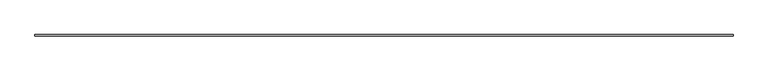
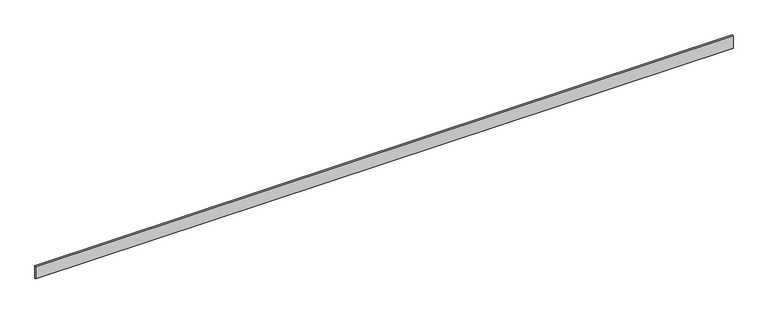
"""IFC4 building model written with IfcOpenShell, lengths in millimetres: furniture geometry."""

import ifcopenshell
import ifcopenshell.guid

model = None  # the IFC model being written
_history = None  # IfcOwnerHistory: only IFC2X3 demands one
_inside = {}  # id of a spatial element -> (the spatial element, [elements in it])
_under = {}  # id of a project, library or spatial element -> (it, [spatial elements below it])
_declared = {}  # id of a project -> (the project, [libraries it declares])
_typed = {}  # id of a type object -> (the type object, [elements of that type])
_made_of = {}  # id of a material, layer set ... -> (it, [elements and type objects made of it])


def new_model(schema):
    """Start an empty IFC model of exactly this schema.

    Asked for "IFC4X3", IfcOpenShell would pick the latest addendum, in which some entities
    have other attributes; the version numbers below select the first issue.
    IFC2X3 requires an IfcOwnerHistory on every rooted entity: one is made here for all.
    """
    global model, _history
    if schema == "IFC4X3":
        model = ifcopenshell.file(schema_version=(4, 3, 0, 0))
    else:
        model = ifcopenshell.file(schema=schema)
    _inside.clear()
    _under.clear()
    _declared.clear()
    _typed.clear()
    _made_of.clear()
    _history = None
    if model.schema == "IFC2X3":
        org = make("IfcOrganization", Name="unknown")
        user = make(
            "IfcPersonAndOrganization",
            ThePerson=make("IfcPerson", FamilyName="unknown"),
            TheOrganization=org,
        )
        app = make(
            "IfcApplication",
            ApplicationDeveloper=org,
            Version="unknown",
            ApplicationFullName="unknown",
            ApplicationIdentifier="unknown",
        )
        _history = make(
            "IfcOwnerHistory",
            OwningUser=user,
            OwningApplication=app,
            ChangeAction="ADDED",
            CreationDate=0,
        )
    return model


def make(cls, **values):
    """One entity of the class cls with the attributes given. An attribute that is None is left unset."""
    return model.create_entity(
        cls, **{name: value for name, value in values.items() if value is not None}
    )


def rooted(cls, **values):
    """An entity with a GlobalId (a new one), such as an element, a storey or a relation."""
    return make(cls, GlobalId=ifcopenshell.guid.new(), OwnerHistory=_history, **values)


def si_unit(unit_type, name, prefix=None):
    """IfcSIUnit, for example si_unit("LENGTHUNIT", "METRE", prefix="MILLI")."""
    return make("IfcSIUnit", UnitType=unit_type, Prefix=prefix, Name=name)


def assignment(units):
    """IfcUnitAssignment: the units of a project."""
    return None if units is None else make("IfcUnitAssignment", Units=units)


def point(xyz):
    """IfcCartesianPoint."""
    return None if xyz is None else make("IfcCartesianPoint", Coordinates=xyz)


def direction(xyz):
    """IfcDirection."""
    return None if xyz is None else make("IfcDirection", DirectionRatios=xyz)


def frame(location, z_axis=None, x_axis=None):
    """IfcAxis2Placement3D, a coordinate frame: its origin and axes. An axis left out is left unset."""
    return make(
        "IfcAxis2Placement3D",
        Location=point(location),
        Axis=direction(z_axis),
        RefDirection=direction(x_axis),
    )


def origin():
    """The frame at (0, 0, 0) with its axes left unset."""
    return frame((0.0, 0.0, 0.0))


def origin_with_axes():
    """The frame at (0, 0, 0) with the z axis (0, 0, 1) and the x axis (1, 0, 0) written out."""
    return frame((0.0, 0.0, 0.0), z_axis=(0.0, 0.0, 1.0), x_axis=(1.0, 0.0, 0.0))


def place(relative_to, where):
    """IfcLocalPlacement: puts the frame where relative to a parent placement (None: the world)."""
    return make(
        "IfcLocalPlacement", PlacementRelTo=relative_to, RelativePlacement=where
    )


def context(
    kind, dimensions, precision=None, world=None, true_north=None, identifier=None
):
    """IfcGeometricRepresentationContext, for example the 3D "Model" context."""
    return make(
        "IfcGeometricRepresentationContext",
        ContextIdentifier=identifier,
        ContextType=kind,
        CoordinateSpaceDimension=dimensions,
        Precision=precision,
        WorldCoordinateSystem=world,
        TrueNorth=true_north,
    )


def project(units=None, contexts=None):
    """IfcProject with its units and contexts."""
    return rooted(
        "IfcProject",
        Name="project",
        RepresentationContexts=contexts,
        UnitsInContext=assignment(units),
    )


def spatial(cls, under=None, at=None, **own):
    """A site, building, storey or space (cls), placed at a placement, below another one or the project."""
    s = rooted(cls, ObjectPlacement=at, **own)
    if under is not None:
        _under.setdefault(under.id(), (under, []))[1].append(s)
    return s


def polyline(points):
    """IfcPolyline through the points."""
    return make("IfcPolyline", Points=[point(p) for p in points])


def outline(outer, holes=None, kind="AREA"):
    """IfcArbitraryClosedProfileDef: a profile drawn as a closed curve; with holes, ...WithVoids."""
    if holes is None:
        return make("IfcArbitraryClosedProfileDef", ProfileType=kind, OuterCurve=outer)
    return make(
        "IfcArbitraryProfileDefWithVoids",
        ProfileType=kind,
        OuterCurve=outer,
        InnerCurves=holes,
    )


def extrude(swept, where, along, depth):
    """IfcExtrudedAreaSolid: the profile swept, set in the frame where, extruded along a direction by depth."""
    return make(
        "IfcExtrudedAreaSolid",
        SweptArea=swept,
        Position=where,
        ExtrudedDirection=direction(along),
        Depth=depth,
    )


def shape(context_of_items, identifier, shape_type, items):
    """IfcShapeRepresentation: the items that make up one representation, for example the "Body"."""
    return make(
        "IfcShapeRepresentation",
        ContextOfItems=context_of_items,
        RepresentationIdentifier=identifier,
        RepresentationType=shape_type,
        Items=items,
    )


def source(mapping_origin, context_of_items, identifier, shape_type, items):
    """IfcRepresentationMap: a shape defined once, which mapped items show again and again."""
    return make(
        "IfcRepresentationMap",
        MappingOrigin=mapping_origin,
        MappedRepresentation=shape(context_of_items, identifier, shape_type, items),
    )


def transform(
    local_origin,
    x_axis=None,
    y_axis=None,
    z_axis=None,
    scale=None,
    scale2=None,
    scale3=None,
    uniform=True,
):
    """IfcCartesianTransformationOperator3D, or its non-uniform kind. x_axis, y_axis, z_axis: its Axis1, 2, 3."""
    if uniform:
        return make(
            "IfcCartesianTransformationOperator3D",
            Axis1=direction(x_axis),
            Axis2=direction(y_axis),
            LocalOrigin=point(local_origin),
            Scale=scale,
            Axis3=direction(z_axis),
        )
    return make(
        "IfcCartesianTransformationOperator3DnonUniform",
        Axis1=direction(x_axis),
        Axis2=direction(y_axis),
        LocalOrigin=point(local_origin),
        Scale=scale,
        Axis3=direction(z_axis),
        Scale2=scale2,
        Scale3=scale3,
    )


def mapped(mapping_source, mapping_target):
    """IfcMappedItem: shows the shape of a source again, moved by a transform."""
    return make(
        "IfcMappedItem", MappingSource=mapping_source, MappingTarget=mapping_target
    )


def made_of(thing, what):
    """Note that an element or type object is made of a material, layer set ...; save() writes the relation."""
    if what is not None:
        _made_of.setdefault(what.id(), (what, []))[1].append(thing)
    return thing


def element(
    cls,
    number,
    at=None,
    inside=None,
    cuts=None,
    type_object=None,
    material=None,
    context=None,
    identifier="Body",
    shape_type=None,
    held_by="IfcProductDefinitionShape",
    body=None,
    shapes=None,
    **own,
):
    """One element of the class cls, such as IfcWall. Its Tag is "e" and its number.

    at: its placement. inside: the storey or other place that contains it. cuts: it is an
    opening in that element (IfcRelVoidsElement). A single representation is given by context,
    identifier, shape_type and body (its items); several are given by shapes. held_by: the class
    of the entity that holds the representations. save() writes the other relations.
    """
    e = rooted(cls, Tag="e%d" % number, ObjectPlacement=at, **own)
    if body is not None:
        shapes = [shape(context, identifier, shape_type, body)]
    if shapes is not None:
        e.Representation = make(held_by, Representations=shapes)
    if inside is not None:
        _inside.setdefault(inside.id(), (inside, []))[1].append(e)
    if cuts is not None:
        rooted(
            "IfcRelVoidsElement", RelatingBuildingElement=cuts, RelatedOpeningElement=e
        )
    if type_object is not None:
        _typed.setdefault(type_object.id(), (type_object, []))[1].append(e)
    return made_of(e, material)


def aggregate(whole, parts):
    """IfcRelAggregates: a whole, such as a stair, and the parts it consists of."""
    return rooted("IfcRelAggregates", RelatingObject=whole, RelatedObjects=parts)


def save(model, path):
    """Write the relations noted so far, then the file.

    IfcRelAggregates (storeys below a building ...), IfcRelContainedInSpatialStructure (elements
    in a storey), IfcRelDefinesByType, IfcRelAssociatesMaterial and IfcRelDeclares: one each for
    every whole, place, type object, material and project.
    """
    for whole, parts in _under.values():
        aggregate(whole, parts)
    for where, things in _inside.values():
        rooted(
            "IfcRelContainedInSpatialStructure",
            RelatedElements=things,
            RelatingStructure=where,
        )
    for kind, things in _typed.values():
        rooted("IfcRelDefinesByType", RelatedObjects=things, RelatingType=kind)
    for what, things in _made_of.values():
        rooted("IfcRelAssociatesMaterial", RelatedObjects=things, RelatingMaterial=what)
    for by, libraries in _declared.values():
        rooted("IfcRelDeclares", RelatingContext=by, RelatedDefinitions=libraries)
    model.write(path)


def furniture_d258371a(model_context):
    return source(origin(), model_context, "Body", "SweptSolid", [
        extrude(outline(polyline([(0.0, 0.0), (0.0, 10.0), (5330.5407842, 10.0), (5330.5407842, 0.0), (0.0, 0.0)])), origin_with_axes(), (0.0, 0.0, 1.0), 100.0),
    ])


if __name__ == "__main__":
    model = new_model("IFC4")
    model_context = context("Model", 3, world=origin())
    ifc_project = project(units=[si_unit("LENGTHUNIT", "METRE", prefix="MILLI")], contexts=[model_context])
    site = spatial("IfcSite", under=ifc_project)
    building = spatial("IfcBuilding", under=site)
    placement = place(None, origin())
    furniture_shape = furniture_d258371a(model_context)
    element("IfcFurniture", 1, at=placement, inside=building, context=model_context, shape_type="MappedRepresentation", body=[
        mapped(furniture_shape, transform((0.0, 0.0, 0.0), x_axis=(1.0, 0.0, 0.0), y_axis=(0.0, 1.0, 0.0), z_axis=(0.0, 0.0, 1.0))),
    ])
    save(model, "model.ifc")
